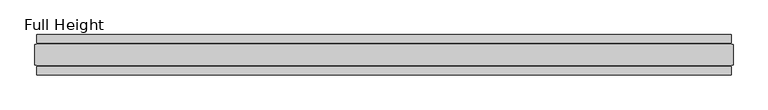
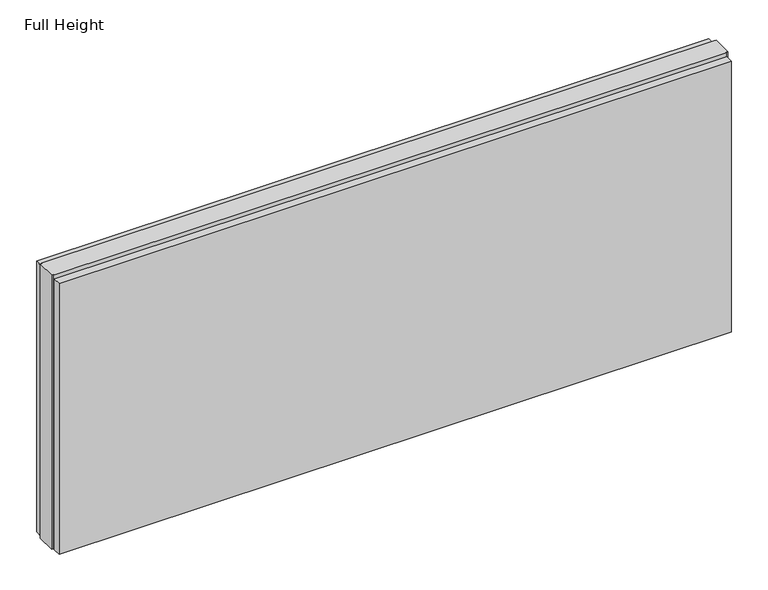
"""IFC4 building model written with IfcOpenShell, lengths in millimetres: plate geometry, Full Height."""

from ifc_helpers import new_model, si_unit, origin, origin_with_axes, place, context, project, spatial, polyline, outline, extrude, source, transform, mapped, element, save


def full_height_6552bd35(model_context):
    return source(origin(), model_context, "Body", "SweptSolid", [
        extrude(outline(polyline([(856.3157595, 28.956), (-856.3157595, 28.956), (-856.3157595, 49.53), (856.3157595, 49.53), (856.3157595, 28.956)])), origin_with_axes(), (0.0, 0.0, 1.0), 729.996),
        extrude(outline(polyline([(856.3157595, -28.956), (856.3157595, -49.53), (-856.3157595, -49.53), (-856.3157595, -28.956), (856.3157595, -28.956)])), origin_with_axes(), (0.0, 0.0, 1.0), 729.996),
        extrude(outline(polyline([(856.3157595, -25.146), (856.3157595, -26.67), (-856.3157595, -26.67), (-856.3157595, -25.146), (-860.8877595, -25.146), (-860.8877595, 25.146), (-856.3157595, 25.146), (-856.3157595, 26.67), (856.3157595, 26.67), (856.3157595, 25.146), (860.8877595, 25.146), (860.8877595, -25.146), (856.3157595, -25.146)])), origin_with_axes(), (0.0, 0.0, 1.0), 739.14),
    ])


if __name__ == "__main__":
    model = new_model("IFC4")
    model_context = context("Model", 3, world=origin())
    ifc_project = project(units=[si_unit("LENGTHUNIT", "METRE", prefix="MILLI")], contexts=[model_context])
    site = spatial("IfcSite", under=ifc_project)
    building = spatial("IfcBuilding", under=site)
    placement = place(None, origin())
    full_height_shape = full_height_6552bd35(model_context)
    element("IfcPlate", 1, ObjectType="Full Height", at=placement, inside=building, context=model_context, shape_type="MappedRepresentation", body=[
        mapped(full_height_shape, transform((0.0, 0.0, 0.0), x_axis=(1.0, 0.0, 0.0), y_axis=(0.0, 1.0, 0.0), z_axis=(0.0, 0.0, 1.0))),
    ])
    save(model, "model.ifc")
